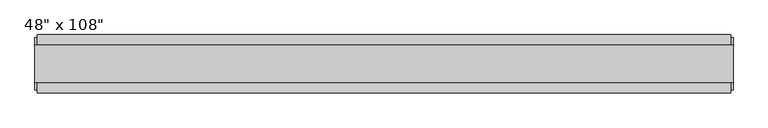
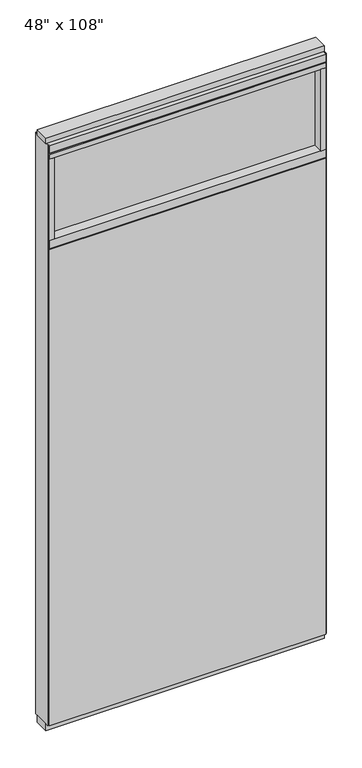
"""IFC4 building model written with IfcOpenShell, lengths in millimetres: furniture geometry."""

from ifc_helpers import new_model, si_unit, frame, origin, origin_with_axes, place, context, project, spatial, polyline, outline, extrude, source, transform, mapped, element, save


def furniture_7f0e0355(model_context):
    return source(origin(), model_context, "Body", "SweptSolid", [
        extrude(outline(polyline([(545.6264771, -46.2822784), (-665.6995229, -46.2822784), (-665.6995229, -33.5822784), (545.6264771, -33.5822784), (545.6264771, -46.2822784)])), frame((0.0, 0.0, 31.75), z_axis=(0.0, 0.0, 1.0), x_axis=(1.0, 0.0, 0.0)), (0.0, 0.0, 1.0), 2203.45),
        extrude(outline(polyline([(545.6264771, 55.3177216), (545.6264771, 42.6177216), (-665.6995229, 42.6177216), (-665.6995229, 55.3177216), (545.6264771, 55.3177216)])), frame((0.0, 0.0, 31.75), z_axis=(0.0, 0.0, 1.0), x_axis=(1.0, 0.0, 0.0)), (0.0, 0.0, 1.0), 2203.45),
        extrude(outline(polyline([(523.4014771, 9.5977216), (523.4014771, -0.5622784), (-643.4745229, -0.5622784), (-643.4745229, 9.5977216), (523.4014771, 9.5977216)])), frame((0.0, 0.0, 2276.475), z_axis=(0.0, 0.0, 1.0), x_axis=(1.0, 0.0, 0.0)), (0.0, 0.0, 1.0), 377.825),
        extrude(outline(polyline([(523.4014771, 55.3177216), (545.6264771, 55.3177216), (545.6264771, -46.2822784), (523.4014771, -46.2822784), (523.4014771, 55.3177216)])), frame((0.0, 0.0, 2276.475), z_axis=(0.0, 0.0, 1.0), x_axis=(1.0, 0.0, 0.0)), (0.0, 0.0, 1.0), 377.825),
        extrude(outline(polyline([(55.3177216, 2240.153), (50.3647216, 2240.153), (50.3647216, 2235.2), (-41.3292784, 2235.2), (-41.3292784, 2240.153), (-46.2822784, 2240.153), (-46.2822784, 2276.475), (55.3177216, 2276.475), (55.3177216, 2240.153)])), frame((-665.6995229, 0.0, 0.0), z_axis=(1.0, 0.0, 0.0), x_axis=(0.0, 1.0, 0.0)), (0.0, 0.0, 1.0), 1211.326),
        extrude(outline(polyline([(-643.4745229, 55.3177216), (-643.4745229, -46.2822784), (-665.6995229, -46.2822784), (-665.6995229, 55.3177216), (-643.4745229, 55.3177216)])), frame((0.0, 0.0, 2276.475), z_axis=(0.0, 0.0, 1.0), x_axis=(1.0, 0.0, 0.0)), (0.0, 0.0, 1.0), 377.825),
        extrude(outline(polyline([(549.5634771, -27.9942784), (-669.6365229, -27.9942784), (-669.6365229, 37.0297216), (549.5634771, 37.0297216), (549.5634771, -27.9942784)])), origin_with_axes(), (0.0, 0.0, 1.0), 31.75),
        extrude(outline(polyline([(-669.6365229, 37.0297216), (549.5634771, 37.0297216), (549.5634771, -27.9942784), (-669.6365229, -27.9942784), (-669.6365229, 37.0297216)])), frame((0.0, 0.0, 2717.8), z_axis=(0.0, 0.0, 1.0), x_axis=(1.0, 0.0, 0.0)), (0.0, 0.0, 1.0), 25.4),
        extrude(outline(polyline([(55.3177216, 2681.478), (50.3647216, 2681.478), (50.3647216, 2676.525), (-41.3292784, 2676.525), (-41.3292784, 2681.478), (-46.2822784, 2681.478), (-46.2822784, 2717.8), (55.3177216, 2717.8), (55.3177216, 2681.478)])), frame((-665.6995229, 0.0, 0.0), z_axis=(1.0, 0.0, 0.0), x_axis=(0.0, 1.0, 0.0)), (0.0, 0.0, 1.0), 1211.326),
        extrude(outline(polyline([(545.6264771, -46.2822784), (-665.6995229, -46.2822784), (-665.6995229, 55.3177216), (545.6264771, 55.3177216), (545.6264771, -46.2822784)])), frame((0.0, 0.0, 2654.3), z_axis=(0.0, 0.0, 1.0), x_axis=(1.0, 0.0, 0.0)), (0.0, 0.0, 1.0), 22.225),
        extrude(outline(polyline([(549.5634771, 50.3647216), (549.5634771, -41.3292784), (545.6264771, -41.3292784), (545.6264771, 50.3647216), (549.5634771, 50.3647216)])), frame((0.0, 0.0, 31.75), z_axis=(0.0, 0.0, 1.0), x_axis=(1.0, 0.0, 0.0)), (0.0, 0.0, 1.0), 2686.05),
        extrude(outline(polyline([(-669.6365229, 50.3647216), (-665.6995229, 50.3647216), (-665.6995229, -41.3292784), (-669.6365229, -41.3292784), (-669.6365229, 50.3647216)])), frame((0.0, 0.0, 31.75), z_axis=(0.0, 0.0, 1.0), x_axis=(1.0, 0.0, 0.0)), (0.0, 0.0, 1.0), 2686.05),
    ])


if __name__ == "__main__":
    model = new_model("IFC4")
    model_context = context("Model", 3, world=origin())
    ifc_project = project(units=[si_unit("LENGTHUNIT", "METRE", prefix="MILLI")], contexts=[model_context])
    site = spatial("IfcSite", under=ifc_project)
    building = spatial("IfcBuilding", under=site)
    placement = place(None, origin())
    furniture_shape = furniture_7f0e0355(model_context)
    element("IfcFurniture", 1, ObjectType="48\" x 108\"", at=placement, inside=building, context=model_context, shape_type="MappedRepresentation", body=[
        mapped(furniture_shape, transform((0.0, 0.0, 0.0), x_axis=(1.0, 0.0, 0.0), y_axis=(0.0, 1.0, 0.0), z_axis=(0.0, 0.0, 1.0))),
    ])
    save(model, "model.ifc")
